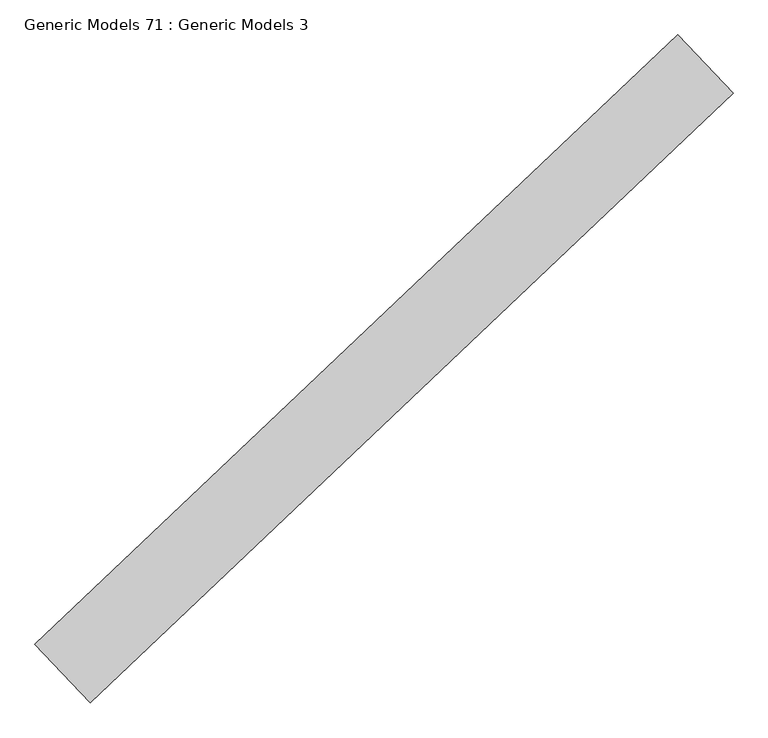
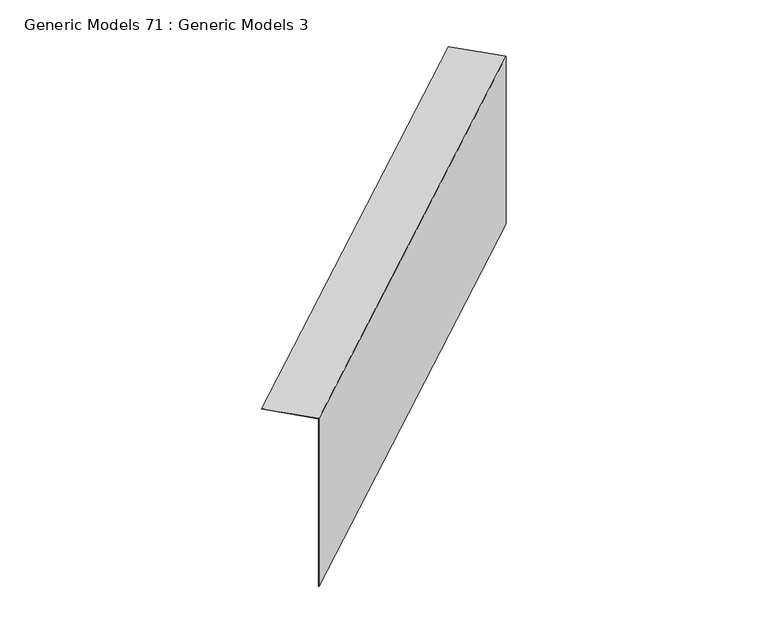
"""IFC4 building model written with IfcOpenShell, lengths in millimetres: proxy geometry, Generic Models 71 : Generic Models 3."""

from ifc_helpers import new_model, si_unit, frame, origin, place, context, project, spatial, polyline, outline, extrude, source, transform, mapped, element, save


def generic_models_71_generic_models_3_17f4d822(model_context):
    return source(origin(), model_context, "Body", "SweptSolid", [
        extrude(outline(polyline([(459.1177252, 0.0), (459.1177252, 1407.3210329), (460.7052252, 1407.3210329), (460.7052252, -1.5875), (49.2607571, -1.5875), (49.2607571, 0.0), (459.1177252, 0.0)])), frame((107785.712336, 48845.0753639, 18529.0013881), z_axis=(0.7253743710122986, 0.6883545756937425, 0.0), x_axis=(0.6883545756937425, -0.7253743710122986, 0.0)), (0.0, 0.0, 1.0), 4530.725),
    ])


if __name__ == "__main__":
    model = new_model("IFC4")
    model_context = context("Model", 3, world=origin())
    ifc_project = project(units=[si_unit("LENGTHUNIT", "METRE", prefix="MILLI")], contexts=[model_context])
    site = spatial("IfcSite", under=ifc_project)
    building = spatial("IfcBuilding", under=site)
    placement = place(None, origin())
    generic_models_71_generic_models_3_shape = generic_models_71_generic_models_3_17f4d822(model_context)
    element("IfcBuildingElementProxy", 1, Name="Generic Models 71 : Generic Models 3", ObjectType="Generic Models 71 : Generic Models 3", at=placement, inside=building, context=model_context, shape_type="MappedRepresentation", body=[
        mapped(generic_models_71_generic_models_3_shape, transform((0.0, 0.0, 0.0), x_axis=(1.0, 0.0, 0.0), y_axis=(0.0, 1.0, 0.0), z_axis=(0.0, 0.0, 1.0))),
    ])
    save(model, "model.ifc")
